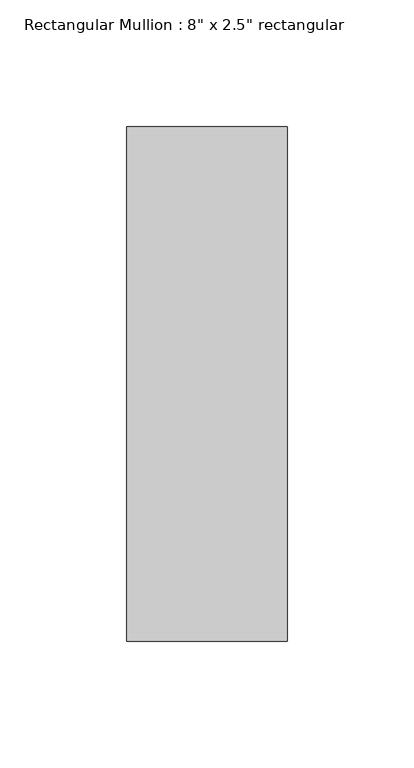
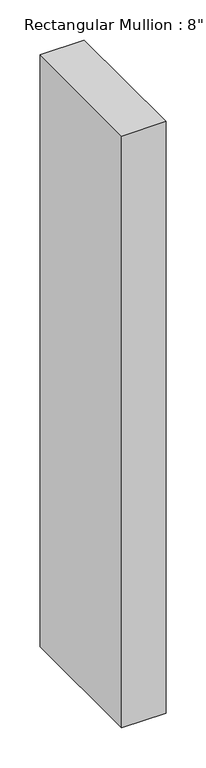
"""IFC4 building model written with IfcOpenShell, lengths in millimetres: member geometry."""

from ifc_helpers import new_model, si_unit, frame, origin, place, context, project, spatial, polyline, outline, extrude, source, transform, mapped, element, save


def member_67716d45(model_context):
    return source(origin(), model_context, "Body", "SweptSolid", [
        extrude(outline(polyline([(0.0, 88.9), (0.0, -114.3), (-63.5, -114.3), (-63.5, 88.9), (0.0, 88.9)])), frame((0.0, 0.0, -898.476294), z_axis=(0.0, 0.0, 1.0), x_axis=(1.0, 0.0, 0.0)), (0.0, 0.0, 1.0), 898.476294),
    ])


if __name__ == "__main__":
    model = new_model("IFC4")
    model_context = context("Model", 3, world=origin())
    ifc_project = project(units=[si_unit("LENGTHUNIT", "METRE", prefix="MILLI")], contexts=[model_context])
    site = spatial("IfcSite", under=ifc_project)
    building = spatial("IfcBuilding", under=site)
    placement = place(None, origin())
    member_shape = member_67716d45(model_context)
    element("IfcMember", 1, ObjectType="Rectangular Mullion : 8\" x 2.5\" rectangular", at=placement, inside=building, context=model_context, shape_type="MappedRepresentation", body=[
        mapped(member_shape, transform((0.0, 0.0, 0.0), x_axis=(1.0, 0.0, 0.0), y_axis=(0.0, 1.0, 0.0), z_axis=(0.0, 0.0, 1.0))),
    ])
    save(model, "model.ifc")
